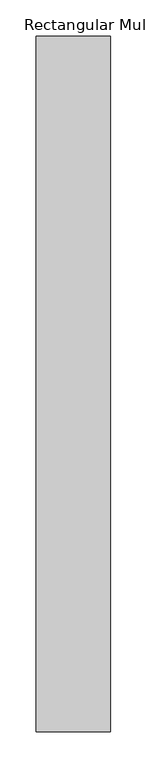
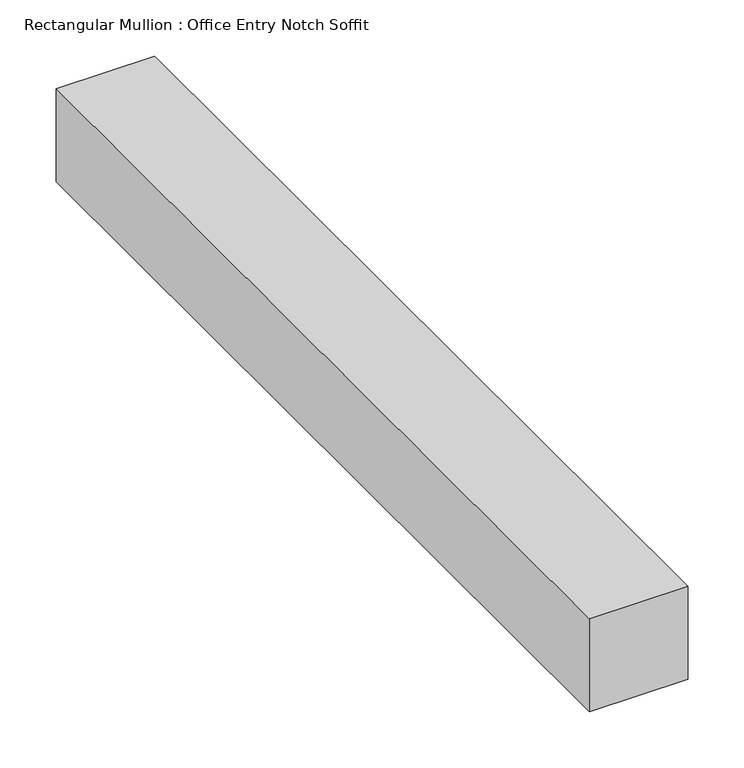
"""IFC4 building model written with IfcOpenShell, lengths in millimetres: member geometry, Rectangular Mullion : Office Entry Notch Soffit."""

import ifcopenshell
import ifcopenshell.guid

model = None  # the IFC model being written
_history = None  # IfcOwnerHistory: only IFC2X3 demands one
_inside = {}  # id of a spatial element -> (the spatial element, [elements in it])
_under = {}  # id of a project, library or spatial element -> (it, [spatial elements below it])
_declared = {}  # id of a project -> (the project, [libraries it declares])
_typed = {}  # id of a type object -> (the type object, [elements of that type])
_made_of = {}  # id of a material, layer set ... -> (it, [elements and type objects made of it])


def new_model(schema):
    """Start an empty IFC model of exactly this schema.

    Asked for "IFC4X3", IfcOpenShell would pick the latest addendum, in which some entities
    have other attributes; the version numbers below select the first issue.
    IFC2X3 requires an IfcOwnerHistory on every rooted entity: one is made here for all.
    """
    global model, _history
    if schema == "IFC4X3":
        model = ifcopenshell.file(schema_version=(4, 3, 0, 0))
    else:
        model = ifcopenshell.file(schema=schema)
    _inside.clear()
    _under.clear()
    _declared.clear()
    _typed.clear()
    _made_of.clear()
    _history = None
    if model.schema == "IFC2X3":
        org = make("IfcOrganization", Name="unknown")
        user = make(
            "IfcPersonAndOrganization",
            ThePerson=make("IfcPerson", FamilyName="unknown"),
            TheOrganization=org,
        )
        app = make(
            "IfcApplication",
            ApplicationDeveloper=org,
            Version="unknown",
            ApplicationFullName="unknown",
            ApplicationIdentifier="unknown",
        )
        _history = make(
            "IfcOwnerHistory",
            OwningUser=user,
            OwningApplication=app,
            ChangeAction="ADDED",
            CreationDate=0,
        )
    return model


def make(cls, **values):
    """One entity of the class cls with the attributes given. An attribute that is None is left unset."""
    return model.create_entity(
        cls, **{name: value for name, value in values.items() if value is not None}
    )


def rooted(cls, **values):
    """An entity with a GlobalId (a new one), such as an element, a storey or a relation."""
    return make(cls, GlobalId=ifcopenshell.guid.new(), OwnerHistory=_history, **values)


def si_unit(unit_type, name, prefix=None):
    """IfcSIUnit, for example si_unit("LENGTHUNIT", "METRE", prefix="MILLI")."""
    return make("IfcSIUnit", UnitType=unit_type, Prefix=prefix, Name=name)


def assignment(units):
    """IfcUnitAssignment: the units of a project."""
    return None if units is None else make("IfcUnitAssignment", Units=units)


def point(xyz):
    """IfcCartesianPoint."""
    return None if xyz is None else make("IfcCartesianPoint", Coordinates=xyz)


def direction(xyz):
    """IfcDirection."""
    return None if xyz is None else make("IfcDirection", DirectionRatios=xyz)


def frame(location, z_axis=None, x_axis=None):
    """IfcAxis2Placement3D, a coordinate frame: its origin and axes. An axis left out is left unset."""
    return make(
        "IfcAxis2Placement3D",
        Location=point(location),
        Axis=direction(z_axis),
        RefDirection=direction(x_axis),
    )


def origin():
    """The frame at (0, 0, 0) with its axes left unset."""
    return frame((0.0, 0.0, 0.0))


def place(relative_to, where):
    """IfcLocalPlacement: puts the frame where relative to a parent placement (None: the world)."""
    return make(
        "IfcLocalPlacement", PlacementRelTo=relative_to, RelativePlacement=where
    )


def context(
    kind, dimensions, precision=None, world=None, true_north=None, identifier=None
):
    """IfcGeometricRepresentationContext, for example the 3D "Model" context."""
    return make(
        "IfcGeometricRepresentationContext",
        ContextIdentifier=identifier,
        ContextType=kind,
        CoordinateSpaceDimension=dimensions,
        Precision=precision,
        WorldCoordinateSystem=world,
        TrueNorth=true_north,
    )


def project(units=None, contexts=None):
    """IfcProject with its units and contexts."""
    return rooted(
        "IfcProject",
        Name="project",
        RepresentationContexts=contexts,
        UnitsInContext=assignment(units),
    )


def spatial(cls, under=None, at=None, **own):
    """A site, building, storey or space (cls), placed at a placement, below another one or the project."""
    s = rooted(cls, ObjectPlacement=at, **own)
    if under is not None:
        _under.setdefault(under.id(), (under, []))[1].append(s)
    return s


def polyline(points):
    """IfcPolyline through the points."""
    return make("IfcPolyline", Points=[point(p) for p in points])


def outline(outer, holes=None, kind="AREA"):
    """IfcArbitraryClosedProfileDef: a profile drawn as a closed curve; with holes, ...WithVoids."""
    if holes is None:
        return make("IfcArbitraryClosedProfileDef", ProfileType=kind, OuterCurve=outer)
    return make(
        "IfcArbitraryProfileDefWithVoids",
        ProfileType=kind,
        OuterCurve=outer,
        InnerCurves=holes,
    )


def extrude(swept, where, along, depth):
    """IfcExtrudedAreaSolid: the profile swept, set in the frame where, extruded along a direction by depth."""
    return make(
        "IfcExtrudedAreaSolid",
        SweptArea=swept,
        Position=where,
        ExtrudedDirection=direction(along),
        Depth=depth,
    )


def shape(context_of_items, identifier, shape_type, items):
    """IfcShapeRepresentation: the items that make up one representation, for example the "Body"."""
    return make(
        "IfcShapeRepresentation",
        ContextOfItems=context_of_items,
        RepresentationIdentifier=identifier,
        RepresentationType=shape_type,
        Items=items,
    )


def source(mapping_origin, context_of_items, identifier, shape_type, items):
    """IfcRepresentationMap: a shape defined once, which mapped items show again and again."""
    return make(
        "IfcRepresentationMap",
        MappingOrigin=mapping_origin,
        MappedRepresentation=shape(context_of_items, identifier, shape_type, items),
    )


def transform(
    local_origin,
    x_axis=None,
    y_axis=None,
    z_axis=None,
    scale=None,
    scale2=None,
    scale3=None,
    uniform=True,
):
    """IfcCartesianTransformationOperator3D, or its non-uniform kind. x_axis, y_axis, z_axis: its Axis1, 2, 3."""
    if uniform:
        return make(
            "IfcCartesianTransformationOperator3D",
            Axis1=direction(x_axis),
            Axis2=direction(y_axis),
            LocalOrigin=point(local_origin),
            Scale=scale,
            Axis3=direction(z_axis),
        )
    return make(
        "IfcCartesianTransformationOperator3DnonUniform",
        Axis1=direction(x_axis),
        Axis2=direction(y_axis),
        LocalOrigin=point(local_origin),
        Scale=scale,
        Axis3=direction(z_axis),
        Scale2=scale2,
        Scale3=scale3,
    )


def mapped(mapping_source, mapping_target):
    """IfcMappedItem: shows the shape of a source again, moved by a transform."""
    return make(
        "IfcMappedItem", MappingSource=mapping_source, MappingTarget=mapping_target
    )


def made_of(thing, what):
    """Note that an element or type object is made of a material, layer set ...; save() writes the relation."""
    if what is not None:
        _made_of.setdefault(what.id(), (what, []))[1].append(thing)
    return thing


def element(
    cls,
    number,
    at=None,
    inside=None,
    cuts=None,
    type_object=None,
    material=None,
    context=None,
    identifier="Body",
    shape_type=None,
    held_by="IfcProductDefinitionShape",
    body=None,
    shapes=None,
    **own,
):
    """One element of the class cls, such as IfcWall. Its Tag is "e" and its number.

    at: its placement. inside: the storey or other place that contains it. cuts: it is an
    opening in that element (IfcRelVoidsElement). A single representation is given by context,
    identifier, shape_type and body (its items); several are given by shapes. held_by: the class
    of the entity that holds the representations. save() writes the other relations.
    """
    e = rooted(cls, Tag="e%d" % number, ObjectPlacement=at, **own)
    if body is not None:
        shapes = [shape(context, identifier, shape_type, body)]
    if shapes is not None:
        e.Representation = make(held_by, Representations=shapes)
    if inside is not None:
        _inside.setdefault(inside.id(), (inside, []))[1].append(e)
    if cuts is not None:
        rooted(
            "IfcRelVoidsElement", RelatingBuildingElement=cuts, RelatedOpeningElement=e
        )
    if type_object is not None:
        _typed.setdefault(type_object.id(), (type_object, []))[1].append(e)
    return made_of(e, material)


def aggregate(whole, parts):
    """IfcRelAggregates: a whole, such as a stair, and the parts it consists of."""
    return rooted("IfcRelAggregates", RelatingObject=whole, RelatedObjects=parts)


def save(model, path):
    """Write the relations noted so far, then the file.

    IfcRelAggregates (storeys below a building ...), IfcRelContainedInSpatialStructure (elements
    in a storey), IfcRelDefinesByType, IfcRelAssociatesMaterial and IfcRelDeclares: one each for
    every whole, place, type object, material and project.
    """
    for whole, parts in _under.values():
        aggregate(whole, parts)
    for where, things in _inside.values():
        rooted(
            "IfcRelContainedInSpatialStructure",
            RelatedElements=things,
            RelatingStructure=where,
        )
    for kind, things in _typed.values():
        rooted("IfcRelDefinesByType", RelatedObjects=things, RelatingType=kind)
    for what, things in _made_of.values():
        rooted("IfcRelAssociatesMaterial", RelatedObjects=things, RelatingMaterial=what)
    for by, libraries in _declared.values():
        rooted("IfcRelDeclares", RelatingContext=by, RelatedDefinitions=libraries)
    model.write(path)


def rectangular_mullion_office_entry_notch_soffit_bc41a7c0(model_context):
    return source(origin(), model_context, "Body", "SweptSolid", [
        extrude(outline(polyline([(0.0, -901.7), (-101.6, -901.7), (-101.6, 50.8), (0.0, 50.8), (0.0, -901.7)])), frame((0.0, 0.0, -101.6), z_axis=(0.0, 0.0, 1.0), x_axis=(1.0, 0.0, 0.0)), (0.0, 0.0, 1.0), 101.6),
    ])


if __name__ == "__main__":
    model = new_model("IFC4")
    model_context = context("Model", 3, world=origin())
    ifc_project = project(units=[si_unit("LENGTHUNIT", "METRE", prefix="MILLI")], contexts=[model_context])
    site = spatial("IfcSite", under=ifc_project)
    building = spatial("IfcBuilding", under=site)
    placement = place(None, origin())
    rectangular_mullion_office_entry_notch_soffit_shape = rectangular_mullion_office_entry_notch_soffit_bc41a7c0(model_context)
    element("IfcMember", 1, ObjectType="Rectangular Mullion : Office Entry Notch Soffit", at=placement, inside=building, context=model_context, shape_type="MappedRepresentation", body=[
        mapped(rectangular_mullion_office_entry_notch_soffit_shape, transform((0.0, 0.0, 0.0), x_axis=(1.0, 0.0, 0.0), y_axis=(0.0, 1.0, 0.0), z_axis=(0.0, 0.0, 1.0))),
    ])
    save(model, "model.ifc")
